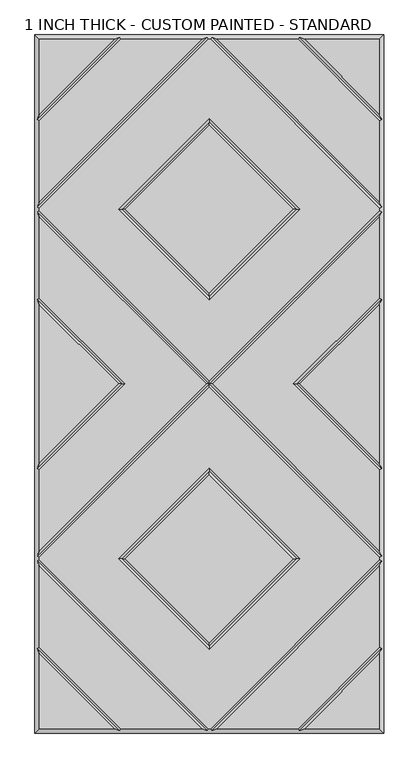
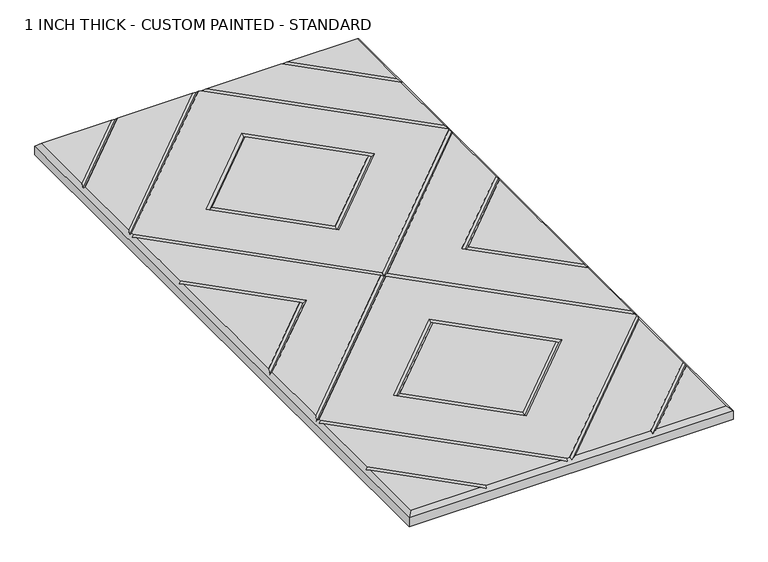
"""IFC4 building model written with IfcOpenShell, lengths in millimetres: proxy geometry, 1 INCH THICK - CUSTOM PAINTED - STANDARD."""

from ifc_helpers import new_model, si_unit, origin, place, context, project, spatial, faceted_brep, source, transform, mapped, element, save


def proxy_1_inch_thick_custom_painted_standard_e8cdd093(model_context):
    return source(origin(), model_context, "Body", "Brep", [
        faceted_brep([(296.799, 470.8590948, 25.4), (296.799, 601.599, 25.4), (166.0590948, 601.599, 25.4), (-166.0590948, 601.599, 25.4), (-296.799, 601.599, 25.4), (-296.799, 470.8590948, 25.4), (2.3434141, 601.599, 25.4), (-2.343464, 601.599, 25.4), (-296.799, 307.143464, 25.4), (-296.799, 302.4565868, 25.4), (0.0, 5.6575868, 25.4), (296.799, 302.4565868, 25.4), (296.799, 307.1434632, 25.4), (158.0575614, 304.8000254, 25.4), (0.0, 146.742464, 25.4), (-158.0575614, 304.8000254, 25.4), (0.0, 462.8575868, 25.4), (166.0590079, -601.599, 25.4), (296.799, -601.599, 25.4), (296.799, -470.8585721, 25.4), (-296.799, -601.599, 25.4), (-166.0590079, -601.599, 25.4), (-296.799, -470.8585721, 25.4), (-154.743972, 601.599, 25.4), (-296.799, 459.543972, 25.4), (-296.799, 318.4585868, 25.4), (-13.6585868, 601.599, 25.4), (-2.3434382, -601.599, 25.4), (2.3434382, -601.599, 25.4), (296.799, -307.1434137, 25.4), (296.799, -302.456536, 25.4), (0.0, -5.657536, 25.4), (-296.799, -302.456536, 25.4), (-296.799, -307.1434137, 25.4), (-158.0575614, -304.7999746, 25.4), (0.0, -146.7424132, 25.4), (158.0575614, -304.7999746, 25.4), (0.0, -462.857536, 25.4), (13.6585378, 601.599, 25.4), (296.799, 318.458585, 25.4), (296.799, 459.543972, 25.4), (154.743972, 601.599, 25.4), (296.799, -318.4585369, 25.4), (13.6585605, -601.599, 25.4), (154.743904, -601.599, 25.4), (296.799, -459.5434305, 25.4), (-13.6585605, -601.599, 25.4), (-296.799, -318.4585369, 25.4), (-296.799, -459.5434305, 25.4), (-154.743904, -601.599, 25.4), (0.0, 158.0575868, 25.4), (146.7424386, 304.8000254, 25.4), (0.0, 451.542464, 25.4), (-146.7424386, 304.8000254, 25.4), (-296.799, 291.141464, 25.4), (-296.799, 150.0565868, 25.4), (-146.7424386, 2.54e-05, 25.4), (-296.799, -150.056536, 25.4), (-296.799, -291.1414132, 25.4), (-5.6575614, 2.54e-05, 25.4), (-296.799, 138.741464, 25.4), (-296.799, -138.7414132, 25.4), (-158.0575614, 2.54e-05, 25.4), (5.6575614, 2.54e-05, 25.4), (296.799, -291.1414132, 25.4), (296.799, -150.056536, 25.4), (146.7424386, 2.54e-05, 25.4), (296.799, 150.0565868, 25.4), (296.799, 291.141464, 25.4), (296.799, -138.7414132, 25.4), (296.799, 138.741464, 25.4), (158.0575614, 2.54e-05, 25.4), (0.0, -158.057536, 25.4), (-146.7424386, -304.7999746, 25.4), (0.0, -451.5424132, 25.4), (146.7424386, -304.7999746, 25.4), (-304.8, 609.6, 0.0), (304.8, 609.6, 0.0), (304.8, -609.6, 0.0), (-304.8, -609.6, 0.0), (-304.8, -609.6, 17.399), (-304.8, 609.6, 17.399), (304.8, -609.6, 17.399), (304.8, 609.6, 17.399), (-156.4010334, 605.5995, 21.3995), (-4.0005254, 605.5995, 21.3995), (4.0004753, 605.5995, 21.3995), (156.4010334, 605.5995, 21.3995), (-300.7995, -461.2004879, 21.3995), (-300.7995, -308.8004749, 21.3995), (-300.7995, -300.7994746, 21.3995), (-300.7995, -148.3994746, 21.3995), (-300.7995, 148.3995254, 21.3995), (-300.7995, 300.7995254, 21.3995), (-300.7995, 308.8005254, 21.3995), (-300.7995, 461.2010334, 21.3995), (156.4009693, -605.5995, 21.3995), (4.0004997, -605.5995, 21.3995), (-4.0004997, -605.5995, 21.3995), (-156.4009693, -605.5995, 21.3995), (300.7995, 461.2010334, 21.3995), (300.7995, 308.8005247, 21.3995), (300.7995, 300.7995254, 21.3995), (300.7995, 148.3995254, 21.3995), (300.7995, -148.3994746, 21.3995), (300.7995, -300.7994746, 21.3995), (300.7995, -308.8004749, 21.3995), (300.7995, -461.2004879, 21.3995), (0.0, 2.54e-05, 21.3995), (152.4, 304.8000254, 21.3995), (0.0, 152.4000254, 21.3995), (-152.4, 304.8000254, 21.3995), (0.0, 457.2000254, 21.3995), (-152.4, 2.54e-05, 21.3995), (152.4, 2.54e-05, 21.3995), (0.0, -152.3999746, 21.3995), (-152.4, -304.7999746, 21.3995), (0.0, -457.1999746, 21.3995), (152.4, -304.7999746, 21.3995)], [[[0, 1, 2]], [[3, 4, 5]], [[6, 7, 8, 9, 10, 11, 12], [13, 14, 15, 16]], [[17, 18, 19]], [[20, 21, 22]], [[23, 24, 25, 26]], [[27, 28, 29, 30, 31, 32, 33], [34, 35, 36, 37]], [[38, 39, 40, 41]], [[42, 43, 44, 45]], [[46, 47, 48, 49]], [[50, 51, 52, 53]], [[54, 55, 56, 57, 58, 59]], [[60, 61, 62]], [[63, 64, 65, 66, 67, 68]], [[69, 70, 71]], [[72, 73, 74, 75]], [[76, 77, 78, 79]], [[76, 79, 80, 81]], [[79, 78, 82, 80]], [[78, 77, 83, 82]], [[77, 76, 81, 83]], [[81, 4, 3, 84, 23, 26, 85, 7, 6, 86, 38, 41, 87, 2, 1, 83]], [[4, 81, 80, 20, 22, 88, 48, 47, 89, 33, 32, 90, 58, 57, 91, 61, 60, 92, 55, 54, 93, 9, 8, 94, 25, 24, 95, 5]], [[20, 80, 82, 18, 17, 96, 44, 43, 97, 28, 27, 98, 46, 49, 99, 21]], [[83, 1, 0, 100, 40, 39, 101, 12, 11, 102, 68, 67, 103, 70, 69, 104, 65, 64, 105, 30, 29, 106, 42, 45, 107, 19, 18, 82]], [[84, 95, 24, 23]], [[95, 84, 3, 5]], [[101, 86, 6, 12]], [[86, 101, 39, 38]], [[85, 94, 8, 7]], [[94, 85, 26, 25]], [[9, 93, 108, 10]], [[105, 64, 63, 108]], [[93, 54, 59, 108]], [[30, 105, 108, 31]], [[106, 97, 43, 42]], [[97, 106, 29, 28]], [[98, 89, 47, 46]], [[89, 98, 27, 33]], [[109, 110, 14, 13]], [[110, 109, 51, 50]], [[14, 110, 111, 15]], [[110, 50, 53, 111]], [[15, 111, 112, 16]], [[111, 53, 52, 112]], [[109, 13, 16, 112]], [[51, 109, 112, 52]], [[87, 100, 0, 2]], [[100, 87, 41, 40]], [[113, 56, 55, 92]], [[62, 113, 92, 60]], [[56, 113, 91, 57]], [[113, 62, 61, 91]], [[90, 108, 59, 58]], [[108, 102, 11, 10]], [[108, 90, 32, 31]], [[102, 108, 63, 68]], [[114, 71, 70, 103]], [[66, 114, 103, 67]], [[71, 114, 104, 69]], [[114, 66, 65, 104]], [[115, 116, 73, 72]], [[116, 115, 35, 34]], [[73, 116, 117, 74]], [[116, 34, 37, 117]], [[74, 117, 118, 75]], [[117, 37, 36, 118]], [[115, 72, 75, 118]], [[35, 115, 118, 36]], [[88, 99, 49, 48]], [[99, 88, 22, 21]], [[107, 96, 17, 19]], [[96, 107, 45, 44]]]),
    ])


if __name__ == "__main__":
    model = new_model("IFC4")
    model_context = context("Model", 3, world=origin())
    ifc_project = project(units=[si_unit("LENGTHUNIT", "METRE", prefix="MILLI")], contexts=[model_context])
    site = spatial("IfcSite", under=ifc_project)
    building = spatial("IfcBuilding", under=site)
    placement = place(None, origin())
    proxy_1_inch_thick_custom_painted_standard_shape = proxy_1_inch_thick_custom_painted_standard_e8cdd093(model_context)
    element("IfcBuildingElementProxy", 1, Name="1 INCH THICK - CUSTOM PAINTED - STANDARD", ObjectType="1 INCH THICK - CUSTOM PAINTED - STANDARD", at=placement, inside=building, context=model_context, shape_type="MappedRepresentation", body=[
        mapped(proxy_1_inch_thick_custom_painted_standard_shape, transform((0.0, 0.0, 0.0), x_axis=(1.0, 0.0, 0.0), y_axis=(0.0, 1.0, 0.0), z_axis=(0.0, 0.0, 1.0))),
    ])
    save(model, "model.ifc")
